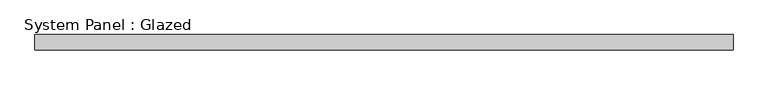
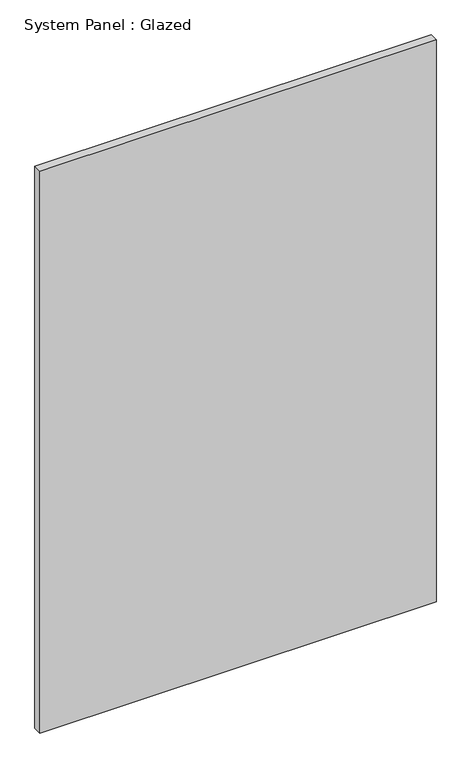
"""IFC4 building model written with IfcOpenShell, lengths in millimetres: plate geometry, System Panel : Glazed."""

import ifcopenshell
import ifcopenshell.guid

model = None  # the IFC model being written
_history = None  # IfcOwnerHistory: only IFC2X3 demands one
_inside = {}  # id of a spatial element -> (the spatial element, [elements in it])
_under = {}  # id of a project, library or spatial element -> (it, [spatial elements below it])
_declared = {}  # id of a project -> (the project, [libraries it declares])
_typed = {}  # id of a type object -> (the type object, [elements of that type])
_made_of = {}  # id of a material, layer set ... -> (it, [elements and type objects made of it])


def new_model(schema):
    """Start an empty IFC model of exactly this schema.

    Asked for "IFC4X3", IfcOpenShell would pick the latest addendum, in which some entities
    have other attributes; the version numbers below select the first issue.
    IFC2X3 requires an IfcOwnerHistory on every rooted entity: one is made here for all.
    """
    global model, _history
    if schema == "IFC4X3":
        model = ifcopenshell.file(schema_version=(4, 3, 0, 0))
    else:
        model = ifcopenshell.file(schema=schema)
    _inside.clear()
    _under.clear()
    _declared.clear()
    _typed.clear()
    _made_of.clear()
    _history = None
    if model.schema == "IFC2X3":
        org = make("IfcOrganization", Name="unknown")
        user = make(
            "IfcPersonAndOrganization",
            ThePerson=make("IfcPerson", FamilyName="unknown"),
            TheOrganization=org,
        )
        app = make(
            "IfcApplication",
            ApplicationDeveloper=org,
            Version="unknown",
            ApplicationFullName="unknown",
            ApplicationIdentifier="unknown",
        )
        _history = make(
            "IfcOwnerHistory",
            OwningUser=user,
            OwningApplication=app,
            ChangeAction="ADDED",
            CreationDate=0,
        )
    return model


def make(cls, **values):
    """One entity of the class cls with the attributes given. An attribute that is None is left unset."""
    return model.create_entity(
        cls, **{name: value for name, value in values.items() if value is not None}
    )


def rooted(cls, **values):
    """An entity with a GlobalId (a new one), such as an element, a storey or a relation."""
    return make(cls, GlobalId=ifcopenshell.guid.new(), OwnerHistory=_history, **values)


def si_unit(unit_type, name, prefix=None):
    """IfcSIUnit, for example si_unit("LENGTHUNIT", "METRE", prefix="MILLI")."""
    return make("IfcSIUnit", UnitType=unit_type, Prefix=prefix, Name=name)


def assignment(units):
    """IfcUnitAssignment: the units of a project."""
    return None if units is None else make("IfcUnitAssignment", Units=units)


def point(xyz):
    """IfcCartesianPoint."""
    return None if xyz is None else make("IfcCartesianPoint", Coordinates=xyz)


def direction(xyz):
    """IfcDirection."""
    return None if xyz is None else make("IfcDirection", DirectionRatios=xyz)


def frame(location, z_axis=None, x_axis=None):
    """IfcAxis2Placement3D, a coordinate frame: its origin and axes. An axis left out is left unset."""
    return make(
        "IfcAxis2Placement3D",
        Location=point(location),
        Axis=direction(z_axis),
        RefDirection=direction(x_axis),
    )


def origin():
    """The frame at (0, 0, 0) with its axes left unset."""
    return frame((0.0, 0.0, 0.0))


def origin_with_axes():
    """The frame at (0, 0, 0) with the z axis (0, 0, 1) and the x axis (1, 0, 0) written out."""
    return frame((0.0, 0.0, 0.0), z_axis=(0.0, 0.0, 1.0), x_axis=(1.0, 0.0, 0.0))


def place(relative_to, where):
    """IfcLocalPlacement: puts the frame where relative to a parent placement (None: the world)."""
    return make(
        "IfcLocalPlacement", PlacementRelTo=relative_to, RelativePlacement=where
    )


def context(
    kind, dimensions, precision=None, world=None, true_north=None, identifier=None
):
    """IfcGeometricRepresentationContext, for example the 3D "Model" context."""
    return make(
        "IfcGeometricRepresentationContext",
        ContextIdentifier=identifier,
        ContextType=kind,
        CoordinateSpaceDimension=dimensions,
        Precision=precision,
        WorldCoordinateSystem=world,
        TrueNorth=true_north,
    )


def project(units=None, contexts=None):
    """IfcProject with its units and contexts."""
    return rooted(
        "IfcProject",
        Name="project",
        RepresentationContexts=contexts,
        UnitsInContext=assignment(units),
    )


def spatial(cls, under=None, at=None, **own):
    """A site, building, storey or space (cls), placed at a placement, below another one or the project."""
    s = rooted(cls, ObjectPlacement=at, **own)
    if under is not None:
        _under.setdefault(under.id(), (under, []))[1].append(s)
    return s


def polyline(points):
    """IfcPolyline through the points."""
    return make("IfcPolyline", Points=[point(p) for p in points])


def outline(outer, holes=None, kind="AREA"):
    """IfcArbitraryClosedProfileDef: a profile drawn as a closed curve; with holes, ...WithVoids."""
    if holes is None:
        return make("IfcArbitraryClosedProfileDef", ProfileType=kind, OuterCurve=outer)
    return make(
        "IfcArbitraryProfileDefWithVoids",
        ProfileType=kind,
        OuterCurve=outer,
        InnerCurves=holes,
    )


def extrude(swept, where, along, depth):
    """IfcExtrudedAreaSolid: the profile swept, set in the frame where, extruded along a direction by depth."""
    return make(
        "IfcExtrudedAreaSolid",
        SweptArea=swept,
        Position=where,
        ExtrudedDirection=direction(along),
        Depth=depth,
    )


def shape(context_of_items, identifier, shape_type, items):
    """IfcShapeRepresentation: the items that make up one representation, for example the "Body"."""
    return make(
        "IfcShapeRepresentation",
        ContextOfItems=context_of_items,
        RepresentationIdentifier=identifier,
        RepresentationType=shape_type,
        Items=items,
    )


def source(mapping_origin, context_of_items, identifier, shape_type, items):
    """IfcRepresentationMap: a shape defined once, which mapped items show again and again."""
    return make(
        "IfcRepresentationMap",
        MappingOrigin=mapping_origin,
        MappedRepresentation=shape(context_of_items, identifier, shape_type, items),
    )


def transform(
    local_origin,
    x_axis=None,
    y_axis=None,
    z_axis=None,
    scale=None,
    scale2=None,
    scale3=None,
    uniform=True,
):
    """IfcCartesianTransformationOperator3D, or its non-uniform kind. x_axis, y_axis, z_axis: its Axis1, 2, 3."""
    if uniform:
        return make(
            "IfcCartesianTransformationOperator3D",
            Axis1=direction(x_axis),
            Axis2=direction(y_axis),
            LocalOrigin=point(local_origin),
            Scale=scale,
            Axis3=direction(z_axis),
        )
    return make(
        "IfcCartesianTransformationOperator3DnonUniform",
        Axis1=direction(x_axis),
        Axis2=direction(y_axis),
        LocalOrigin=point(local_origin),
        Scale=scale,
        Axis3=direction(z_axis),
        Scale2=scale2,
        Scale3=scale3,
    )


def mapped(mapping_source, mapping_target):
    """IfcMappedItem: shows the shape of a source again, moved by a transform."""
    return make(
        "IfcMappedItem", MappingSource=mapping_source, MappingTarget=mapping_target
    )


def made_of(thing, what):
    """Note that an element or type object is made of a material, layer set ...; save() writes the relation."""
    if what is not None:
        _made_of.setdefault(what.id(), (what, []))[1].append(thing)
    return thing


def element(
    cls,
    number,
    at=None,
    inside=None,
    cuts=None,
    type_object=None,
    material=None,
    context=None,
    identifier="Body",
    shape_type=None,
    held_by="IfcProductDefinitionShape",
    body=None,
    shapes=None,
    **own,
):
    """One element of the class cls, such as IfcWall. Its Tag is "e" and its number.

    at: its placement. inside: the storey or other place that contains it. cuts: it is an
    opening in that element (IfcRelVoidsElement). A single representation is given by context,
    identifier, shape_type and body (its items); several are given by shapes. held_by: the class
    of the entity that holds the representations. save() writes the other relations.
    """
    e = rooted(cls, Tag="e%d" % number, ObjectPlacement=at, **own)
    if body is not None:
        shapes = [shape(context, identifier, shape_type, body)]
    if shapes is not None:
        e.Representation = make(held_by, Representations=shapes)
    if inside is not None:
        _inside.setdefault(inside.id(), (inside, []))[1].append(e)
    if cuts is not None:
        rooted(
            "IfcRelVoidsElement", RelatingBuildingElement=cuts, RelatedOpeningElement=e
        )
    if type_object is not None:
        _typed.setdefault(type_object.id(), (type_object, []))[1].append(e)
    return made_of(e, material)


def aggregate(whole, parts):
    """IfcRelAggregates: a whole, such as a stair, and the parts it consists of."""
    return rooted("IfcRelAggregates", RelatingObject=whole, RelatedObjects=parts)


def save(model, path):
    """Write the relations noted so far, then the file.

    IfcRelAggregates (storeys below a building ...), IfcRelContainedInSpatialStructure (elements
    in a storey), IfcRelDefinesByType, IfcRelAssociatesMaterial and IfcRelDeclares: one each for
    every whole, place, type object, material and project.
    """
    for whole, parts in _under.values():
        aggregate(whole, parts)
    for where, things in _inside.values():
        rooted(
            "IfcRelContainedInSpatialStructure",
            RelatedElements=things,
            RelatingStructure=where,
        )
    for kind, things in _typed.values():
        rooted("IfcRelDefinesByType", RelatedObjects=things, RelatingType=kind)
    for what, things in _made_of.values():
        rooted("IfcRelAssociatesMaterial", RelatedObjects=things, RelatingMaterial=what)
    for by, libraries in _declared.values():
        rooted("IfcRelDeclares", RelatingContext=by, RelatedDefinitions=libraries)
    model.write(path)


def system_panel_glazed_19667f1c(model_context):
    return source(origin(), model_context, "Body", "SweptSolid", [
        extrude(outline(polyline([(577.85, -44.45), (-577.85, -44.45), (-577.85, -19.05), (577.85, -19.05), (577.85, -44.45)])), origin_with_axes(), (0.0, 0.0, 1.0), 1733.55),
    ])


if __name__ == "__main__":
    model = new_model("IFC4")
    model_context = context("Model", 3, world=origin())
    ifc_project = project(units=[si_unit("LENGTHUNIT", "METRE", prefix="MILLI")], contexts=[model_context])
    site = spatial("IfcSite", under=ifc_project)
    building = spatial("IfcBuilding", under=site)
    placement = place(None, origin())
    system_panel_glazed_shape = system_panel_glazed_19667f1c(model_context)
    element("IfcPlate", 1, ObjectType="System Panel : Glazed", at=placement, inside=building, context=model_context, shape_type="MappedRepresentation", body=[
        mapped(system_panel_glazed_shape, transform((0.0, 0.0, 0.0), x_axis=(1.0, 0.0, 0.0), y_axis=(0.0, 1.0, 0.0), z_axis=(0.0, 0.0, 1.0))),
    ])
    save(model, "model.ifc")
